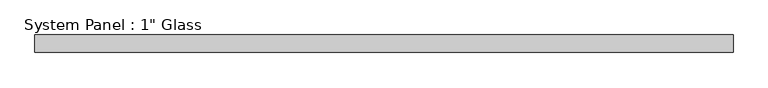
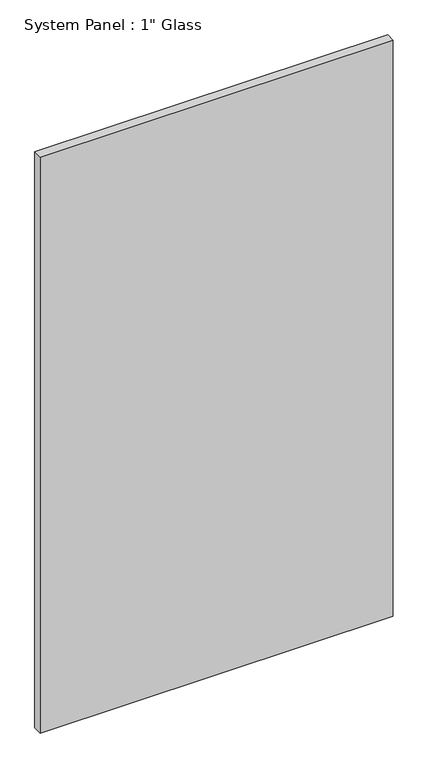
"""IFC4 building model written with IfcOpenShell, lengths in millimetres: plate geometry."""

from ifc_helpers import new_model, si_unit, origin, origin_with_axes, place, context, project, spatial, polyline, outline, extrude, source, transform, mapped, element, save


def plate_596550dd(model_context):
    return source(origin(), model_context, "Body", "SweptSolid", [
        extrude(outline(polyline([(504.825, -12.7), (-504.825, -12.7), (-504.825, 12.7), (504.825, 12.7), (504.825, -12.7)])), origin_with_axes(), (0.0, 0.0, 1.0), 1739.9),
    ])


if __name__ == "__main__":
    model = new_model("IFC4")
    model_context = context("Model", 3, world=origin())
    ifc_project = project(units=[si_unit("LENGTHUNIT", "METRE", prefix="MILLI")], contexts=[model_context])
    site = spatial("IfcSite", under=ifc_project)
    building = spatial("IfcBuilding", under=site)
    placement = place(None, origin())
    plate_shape = plate_596550dd(model_context)
    element("IfcPlate", 1, ObjectType="System Panel : 1\" Glass", at=placement, inside=building, context=model_context, shape_type="MappedRepresentation", body=[
        mapped(plate_shape, transform((0.0, 0.0, 0.0), x_axis=(1.0, 0.0, 0.0), y_axis=(0.0, 1.0, 0.0), z_axis=(0.0, 0.0, 1.0))),
    ])
    save(model, "model.ifc")
